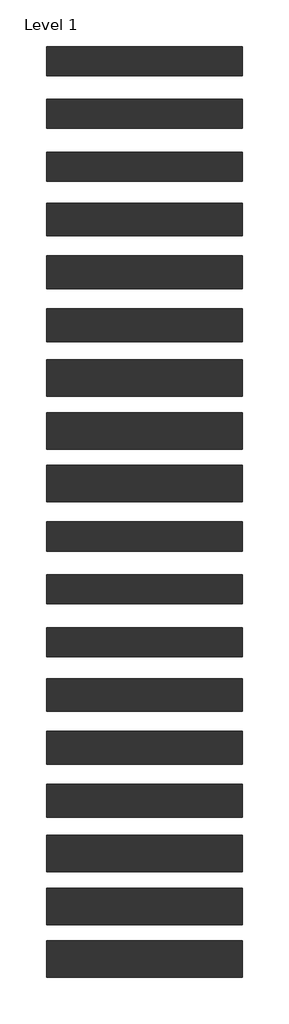
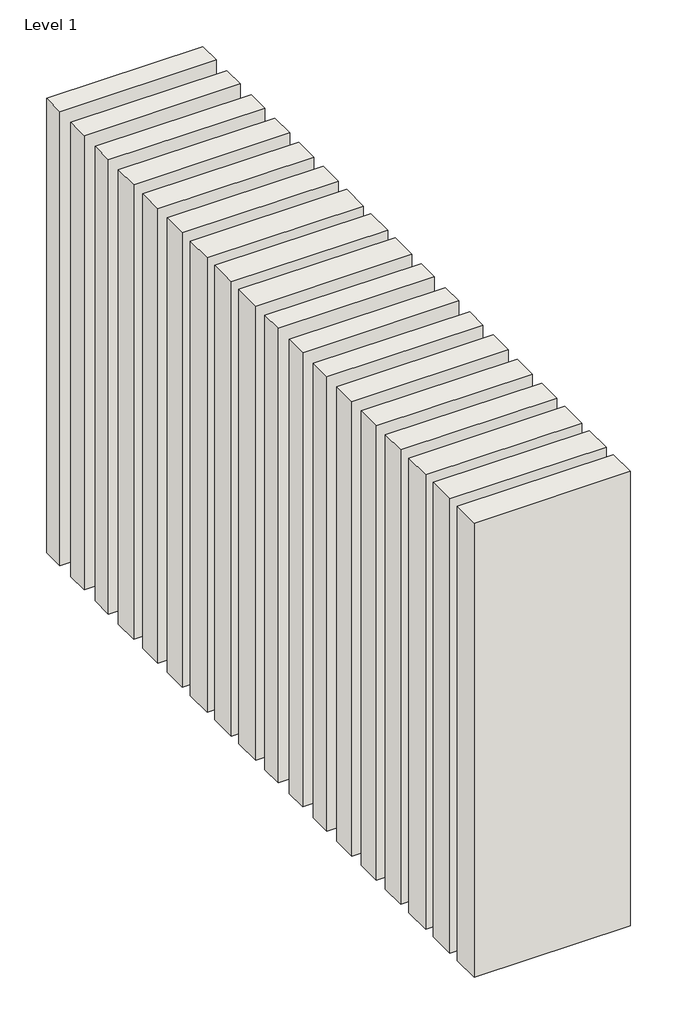
# One storey: 18 walls.
"""IFC4 building model written with IfcOpenShell, lengths in millimetres."""

from ifc_helpers import new_model, si_unit, origin, origin_with_axes, place, context, project, spatial, polyline, outline, extrude, element, save

model = new_model("IFC4")

# Units and contexts
model_context = context("Model", 3, world=origin())
ifc_project = project(units=[si_unit("LENGTHUNIT", "METRE", prefix="MILLI")], contexts=[model_context])

# Site, building, storey
site = spatial("IfcSite", under=ifc_project)
building = spatial("IfcBuilding", under=site)
storey = spatial("IfcBuildingStorey", under=building, Name="Level 1", Elevation=0.0)

# Walls
placement = place(None, origin())
element("IfcWall", 1, at=placement, inside=storey, context=model_context, shape_type="SweptSolid", body=[
    extrude(outline(polyline([(-16904.1464237, 2143.9042935), (-19504.1464237, 2143.9042935), (-19504.1464237, 2528.9042935), (-16904.1464237, 2528.9042935), (-16904.1464237, 2143.9042935)])), origin_with_axes(), (0.0, 0.0, 1.0), 8000.0),
])
element("IfcWall", 2, at=placement, inside=storey, context=model_context, shape_type="SweptSolid", body=[
    extrude(outline(polyline([(-16904.1464237, 3543.9042935), (-19504.1464237, 3543.9042935), (-19504.1464237, 3928.9042935), (-16904.1464237, 3928.9042935), (-16904.1464237, 3543.9042935)])), origin_with_axes(), (0.0, 0.0, 1.0), 8000.0),
])
element("IfcWall", 3, at=placement, inside=storey, context=model_context, shape_type="SweptSolid", body=[
    extrude(outline(polyline([(-16904.1464237, 2843.9042935), (-19504.1464237, 2843.9042935), (-19504.1464237, 3228.9042935), (-16904.1464237, 3228.9042935), (-16904.1464237, 2843.9042935)])), origin_with_axes(), (0.0, 0.0, 1.0), 8000.0),
])
element("IfcWall", 4, at=placement, inside=storey, context=model_context, shape_type="SweptSolid", body=[
    extrude(outline(polyline([(-16904.1464237, 1418.9042935), (-19504.1464237, 1418.9042935), (-19504.1464237, 1853.9042935), (-16904.1464237, 1853.9042935), (-16904.1464237, 1418.9042935)])), origin_with_axes(), (0.0, 0.0, 1.0), 8000.0),
])
element("IfcWall", 5, at=placement, inside=storey, context=model_context, shape_type="SweptSolid", body=[
    extrude(outline(polyline([(-16904.1464237, 718.9042935), (-19504.1464237, 718.9042935), (-19504.1464237, 1153.9042935), (-16904.1464237, 1153.9042935), (-16904.1464237, 718.9042935)])), origin_with_axes(), (0.0, 0.0, 1.0), 8000.0),
])
element("IfcWall", 6, at=placement, inside=storey, context=model_context, shape_type="SweptSolid", body=[
    extrude(outline(polyline([(-16904.1464237, 18.9042935), (-19504.1464237, 18.9042935), (-19504.1464237, 453.9042935), (-16904.1464237, 453.9042935), (-16904.1464237, 18.9042935)])), origin_with_axes(), (0.0, 0.0, 1.0), 8000.0),
])
element("IfcWall", 7, at=placement, inside=storey, context=model_context, shape_type="SweptSolid", body=[
    extrude(outline(polyline([(-16904.1464237, -706.0957065), (-19504.1464237, -706.0957065), (-19504.1464237, -221.0957065), (-16904.1464237, -221.0957065), (-16904.1464237, -706.0957065)])), origin_with_axes(), (0.0, 0.0, 1.0), 8000.0),
])
element("IfcWall", 8, at=placement, inside=storey, context=model_context, shape_type="SweptSolid", body=[
    extrude(outline(polyline([(-16904.1464237, -1406.0957065), (-19504.1464237, -1406.0957065), (-19504.1464237, -921.0957065), (-16904.1464237, -921.0957065), (-16904.1464237, -1406.0957065)])), origin_with_axes(), (0.0, 0.0, 1.0), 8000.0),
])
element("IfcWall", 9, at=placement, inside=storey, context=model_context, shape_type="SweptSolid", body=[
    extrude(outline(polyline([(-16904.1464237, -2106.0957065), (-19504.1464237, -2106.0957065), (-19504.1464237, -1621.0957065), (-16904.1464237, -1621.0957065), (-16904.1464237, -2106.0957065)])), origin_with_axes(), (0.0, 0.0, 1.0), 8000.0),
])
element("IfcWall", 10, at=placement, inside=storey, context=model_context, shape_type="SweptSolid", body=[
    extrude(outline(polyline([(-16904.1464237, -2756.0957065), (-19504.1464237, -2756.0957065), (-19504.1464237, -2371.0957065), (-16904.1464237, -2371.0957065), (-16904.1464237, -2756.0957065)])), origin_with_axes(), (0.0, 0.0, 1.0), 8000.0),
])
element("IfcWall", 11, at=placement, inside=storey, context=model_context, shape_type="SweptSolid", body=[
    extrude(outline(polyline([(-16904.1464237, -3456.0957065), (-19504.1464237, -3456.0957065), (-19504.1464237, -3071.0957065), (-16904.1464237, -3071.0957065), (-16904.1464237, -3456.0957065)])), origin_with_axes(), (0.0, 0.0, 1.0), 8000.0),
])
element("IfcWall", 12, at=placement, inside=storey, context=model_context, shape_type="SweptSolid", body=[
    extrude(outline(polyline([(-16904.1464237, -4156.0957065), (-19504.1464237, -4156.0957065), (-19504.1464237, -3771.0957065), (-16904.1464237, -3771.0957065), (-16904.1464237, -4156.0957065)])), origin_with_axes(), (0.0, 0.0, 1.0), 8000.0),
])
element("IfcWall", 13, at=placement, inside=storey, context=model_context, shape_type="SweptSolid", body=[
    extrude(outline(polyline([(-16904.1464237, -4881.0957065), (-19504.1464237, -4881.0957065), (-19504.1464237, -4446.0957065), (-16904.1464237, -4446.0957065), (-16904.1464237, -4881.0957065)])), origin_with_axes(), (0.0, 0.0, 1.0), 8000.0),
])
element("IfcWall", 14, at=placement, inside=storey, context=model_context, shape_type="SweptSolid", body=[
    extrude(outline(polyline([(-16904.1464237, -5581.0957065), (-19504.1464237, -5581.0957065), (-19504.1464237, -5146.0957065), (-16904.1464237, -5146.0957065), (-16904.1464237, -5581.0957065)])), origin_with_axes(), (0.0, 0.0, 1.0), 8000.0),
])
element("IfcWall", 15, at=placement, inside=storey, context=model_context, shape_type="SweptSolid", body=[
    extrude(outline(polyline([(-16904.1464237, -6281.0957065), (-19504.1464237, -6281.0957065), (-19504.1464237, -5846.0957065), (-16904.1464237, -5846.0957065), (-16904.1464237, -6281.0957065)])), origin_with_axes(), (0.0, 0.0, 1.0), 8000.0),
])
element("IfcWall", 16, at=placement, inside=storey, context=model_context, shape_type="SweptSolid", body=[
    extrude(outline(polyline([(-16904.1464237, -7006.0957065), (-19504.1464237, -7006.0957065), (-19504.1464237, -6521.0957065), (-16904.1464237, -6521.0957065), (-16904.1464237, -7006.0957065)])), origin_with_axes(), (0.0, 0.0, 1.0), 8000.0),
])
element("IfcWall", 17, at=placement, inside=storey, context=model_context, shape_type="SweptSolid", body=[
    extrude(outline(polyline([(-16904.1464237, -7706.0957065), (-19504.1464237, -7706.0957065), (-19504.1464237, -7221.0957065), (-16904.1464237, -7221.0957065), (-16904.1464237, -7706.0957065)])), origin_with_axes(), (0.0, 0.0, 1.0), 8000.0),
])
element("IfcWall", 18, at=placement, inside=storey, context=model_context, shape_type="SweptSolid", body=[
    extrude(outline(polyline([(-16904.1464237, -8406.0957065), (-19504.1464237, -8406.0957065), (-19504.1464237, -7921.0957065), (-16904.1464237, -7921.0957065), (-16904.1464237, -8406.0957065)])), origin_with_axes(), (0.0, 0.0, 1.0), 8000.0),
])

save(model, "model.ifc")
